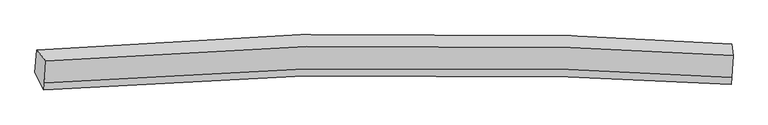
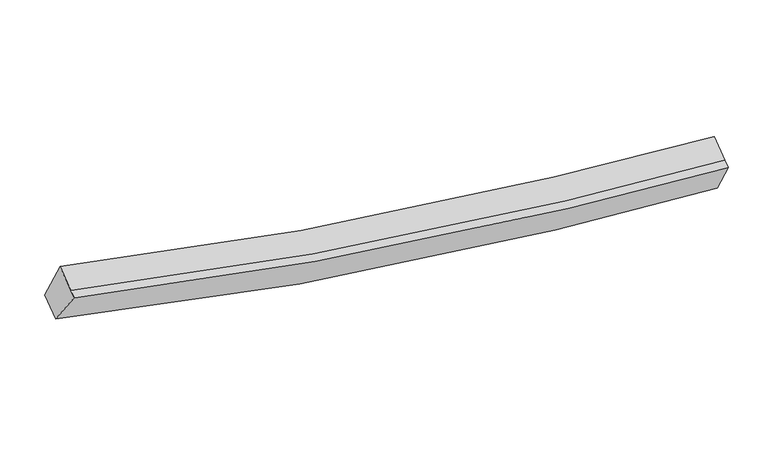
"""IFC4 building model written with IfcOpenShell, lengths in millimetres: proxy geometry."""

from ifc_helpers import new_model, si_unit, frame, origin, place, context, project, spatial, source, transform, mapped, element, save
from ifc_brep_helpers import plane_surface, spline_curve, spline_surface, advanced_brep


def generic_models_92f6337b(model_context):
    return source(origin(), model_context, "Body", "AdvancedBrep", [
        advanced_brep(
        [(-7464.2980582, -1824.8495779, 4168.241372), (-7281.4361653, -2036.7191972, 4837.6334959), (5946.8087748, -1934.4753215, 2914.4571497), (5922.842816, -1711.9059223, 2192.150454), (-7311.7422566, -2462.4618837, 4602.4087143), (5916.9767447, -2353.5583549, 2682.9118569), (-7321.381087, -2597.8690373, 4527.5956426), (5907.3379143, -2488.9655086, 2608.0987852), (-7494.9539182, -2255.5058467, 3930.3018137), (5893.0535127, -2130.3887252, 1960.9367913)],
        [
            (0, 1),
            (1, 2, spline_curve(3, [(-7281.4361653, -2036.7191972, 4837.6334959), (-3958.229037686, -1756.105560078, 3900.868650212), (-594.047006811, -1670.398026176, 3305.529800495), (3852.510402789, -1812.992834238, 2973.96268106), (4897.743351862, -1864.619076917, 2928.242748277), (5946.8087748, -1934.4753215, 2914.4571497)], [4, 2, 4], [0.0, 33.89862542820874, 44.26585527736549])),
            (2, 3),
            (3, 0, spline_curve(3, [(5922.842816, -1711.9059223, 2192.150454), (4865.674246298, -1637.443967778, 2192.639823189), (3811.33071641, -1582.486322305, 2229.14503307), (-678.428454852, -1431.108156342, 2538.794414468), (-4086.465216631, -1523.713686955, 3160.986177689), (-7464.2980582, -1824.8495779, 4168.241372)], [4, 2, 4], [0.0, 10.36722984915675, 44.26585527736549])),
            (1, 4),
            (4, 5, spline_curve(3, [(-7311.7422566, -2462.4618837, 4602.4087143), (-3988.814721231, -2185.775984495, 3663.473775648), (-624.605502392, -2099.686502782, 3068.345952876), (3822.388015228, -2236.15483741, 2740.163739101), (4867.751796063, -2285.943142269, 2695.459275246), (5916.9767447, -2353.5583549, 2682.9118569)], [4, 2, 4], [0.0, 33.706811367952, 44.01537864817382])),
            (5, 2),
            (4, 6),
            (6, 7, spline_curve(3, [(-7321.381087, -2597.8690373, 4527.5956426), (-3998.453551885, -2321.183137991, 3588.660704023), (-634.244332405, -2235.093656166, 2993.532881401), (3812.74918471, -2371.561991076, 2665.350667332), (4858.11296547, -2421.350296001, 2620.646203536), (5907.3379143, -2488.9655086, 2608.0987852)], [4, 2, 4], [0.0, 33.70680672676596, 44.015372587572045])),
            (7, 5),
            (6, 8),
            (8, 9, spline_curve(3, [(-7494.9539182, -2255.5058467, 3930.3018137), (-4116.611021757, -1947.204667992, 2927.005473469), (-708.285408775, -1850.541315947, 2307.055675662), (3781.562102727, -2000.678477373, 1998.091954601), (4835.905632404, -2055.636122435, 1961.586744908), (5893.0535127, -2130.3887252, 1960.9367913)], [4, 2, 4], [0.0, 33.89859856037237, 44.26582019252824])),
            (9, 7),
            (8, 0),
            (3, 9),
        ],
        [
            spline_surface(3, 3, [[(-7464.2980582, -1824.8495779, 4168.241372), (-4086.465216469, -1523.71368648, 3160.986177754), (-678.428454914, -1431.108155932, 2538.794414865), (3811.330716429, -1582.48632243, 2229.145032949), (4865.674246255, -1637.443967775, 2192.639823182), (5922.842816, -1711.9059223, 2192.150454)], [(-7403.344093901, -1895.472784339, 4391.372079952), (-4043.719823701, -1601.177644413, 3407.613668411), (-650.301305631, -1510.871445869, 2794.372876734), (3825.057278591, -1659.321826391, 2477.417582349), (4876.363948113, -1713.169004164, 2437.840798242), (5930.831468936, -1786.095722034, 2432.919352566)], [(-7342.390129599, -1966.095990761, 4614.502787948), (-4000.97443093, -1678.641602327, 3654.241159113), (-622.174156385, -1590.63473585, 3049.951338541), (3838.783840716, -1736.157330397, 2725.690131686), (4887.053649965, -1788.894040549, 2683.041773302), (5938.820121864, -1860.285521766, 2673.688251134)], [(-7281.4361653, -2036.7191972, 4837.6334959), (-3958.229038163, -1756.10556026, 3900.86864977), (-594.047007102, -1670.398025786, 3305.52980041), (3852.510402878, -1812.992834358, 2973.962681086), (4897.743351823, -1864.619076938, 2928.242748361), (5946.8087748, -1934.4753215, 2914.4571497)]], [4, 4], [4, 2, 4], [0.0, 2.6001170704802377], [0.0, 33.89862542820874, 44.26585527736549]),
            spline_surface(3, 3, [[(-7281.4361653, -2036.7191972, 4837.6334959), (-3958.229038163, -1756.10556026, 3900.86864977), (-594.047007102, -1670.398025786, 3305.52980041), (3852.510402878, -1812.992834358, 2973.962681086), (4897.743351823, -1864.619076938, 2928.242748361), (5946.8087748, -1934.4753215, 2914.4571497)], [(-7291.538195721, -2178.63342602, 4759.225235375), (-3968.424266009, -1899.329034857, 3821.737024965), (-604.233172109, -1813.494184809, 3226.468518042), (3842.469606962, -1954.046835363, 2896.029700363), (4887.746166526, -2005.060432069, 2850.648257287), (5936.864764751, -2074.169665973, 2837.27538543)], [(-7301.640226179, -2320.54765488, 4680.816974825), (-3978.619493891, -2042.552509493, 3742.605400135), (-614.419337103, -1956.590343843, 3147.407235714), (3832.428811058, -2095.100836379, 2818.09671968), (4877.748981276, -2145.50178718, 2773.053766221), (5926.920754749, -2213.864010427, 2760.09362117)], [(-7311.7422566, -2462.4618837, 4602.4087143), (-3988.814721737, -2185.77598409, 3663.47377533), (-624.60550211, -2099.686502865, 3068.345953346), (3822.388015142, -2236.154837385, 2740.163738957), (4867.751795978, -2285.943142311, 2695.459275146), (5916.9767447, -2353.5583549, 2682.9118569)]], [4, 4], [4, 2, 4], [0.0, 1.6070976671044748], [0.0, 33.706811367952, 44.01537864817382]),
            spline_surface(3, 3, [[(-7311.7422566, -2462.4618837, 4602.4087143), (-3988.814721737, -2185.77598409, 3663.47377533), (-624.60550211, -2099.686502865, 3068.345953346), (3822.388015142, -2236.154837385, 2740.163738957), (4867.751795978, -2285.943142311, 2695.459275146), (5916.9767447, -2353.5583549, 2682.9118569)], [(-7314.955200072, -2507.597601571, 4577.47102373), (-3992.027665209, -2230.911701961, 3638.53608476), (-627.818445582, -2144.822220736, 3043.408262776), (3819.175071671, -2281.290555256, 2715.226048387), (4864.538852506, -2331.078860182, 2670.521584576), (5913.763801228, -2398.694072771, 2657.97416633)], [(-7318.168143528, -2552.733319429, 4552.53333317), (-3995.240608666, -2276.047419819, 3613.5983942), (-631.031389039, -2189.957938594, 3018.470572216), (3815.962128214, -2326.426273114, 2690.288357827), (4861.325909049, -2376.21457814, 2645.583894016), (5910.550857772, -2443.829790729, 2633.03647577)], [(-7321.381087, -2597.8690373, 4527.5956426), (-3998.453552137, -2321.18313769, 3588.66070363), (-634.24433251, -2235.093656465, 2993.532881646), (3812.749184742, -2371.561990985, 2665.350667257), (4858.112965578, -2421.350296011, 2620.646203446), (5907.3379143, -2488.9655086, 2608.0987852)]], [4, 4], [4, 2, 4], [0.0, 0.508530183727046], [0.0, 33.70680672676596, 44.015372587572045]),
            spline_surface(3, 3, [[(-7321.381087, -2597.8690373, 4527.5956426), (-3998.453552137, -2321.18313769, 3588.66070363), (-634.24433251, -2235.093656465, 2993.532881646), (3812.749184742, -2371.561990985, 2665.350667257), (4858.112965578, -2421.350296011, 2620.646203446), (5907.3379143, -2488.9655086, 2608.0987852)], [(-7379.238697401, -2483.747973778, 4328.497699641), (-4037.839375524, -2196.523647976, 3368.10896015), (-658.924691176, -2106.909542998, 2764.70714625), (3802.353490703, -2247.934153084, 2442.931096383), (4850.710521224, -2299.445571557, 2400.959717264), (5902.576447117, -2369.43991416, 2392.37812057)], [(-7437.096307799, -2369.626910222, 4129.399756659), (-4077.225198907, -2071.864158226, 3147.557216647), (-683.605049827, -1978.725429572, 2535.881410877), (3791.957796679, -2124.306315226, 2220.511525531), (4843.30807682, -2177.540847024, 2181.273231072), (5897.814979883, -2249.91431964, 2176.65745593)], [(-7494.9539182, -2255.5058467, 3930.3018137), (-4116.611022294, -1947.204668512, 2927.005473167), (-708.285408493, -1850.541316105, 2307.055675481), (3781.56210264, -2000.678477325, 1998.091954656), (4835.905632466, -2055.63612257, 1961.58674489), (5893.0535127, -2130.3887252, 1960.9367913)]], [4, 4], [4, 2, 4], [0.0, 2.5442589921237015], [0.0, 33.89859856037237, 44.26582019252824]),
            spline_surface(3, 3, [[(-7494.9539182, -2255.5058467, 3930.3018137), (-4116.611022294, -1947.204668512, 2927.005473167), (-708.285408492, -1850.541316105, 2307.055675481), (3781.56210264, -2000.678477325, 1998.091954656), (4835.905632466, -2055.63612257, 1961.58674489), (5893.0535127, -2130.3887252, 1960.9367913)], [(-7484.735298205, -2111.953757091, 4009.614999802), (-4106.562420357, -1806.041007826, 3004.999041365), (-698.333090631, -1710.730262742, 2384.301921945), (3791.484973905, -1861.281092388, 2075.109647424), (4845.828503731, -1916.238737634, 2038.604437657), (5902.983280469, -1990.894457562, 2038.008012203)], [(-7474.516678195, -1968.401667509, 4088.928185898), (-4096.513818405, -1664.877347166, 3082.992609556), (-688.380772776, -1570.919209295, 2461.5481684), (3801.407845164, -1721.883707366, 2152.127340182), (4855.75137499, -1776.841352712, 2115.622130415), (5912.913048231, -1851.400189938, 2115.079233097)], [(-7464.2980582, -1824.8495779, 4168.241372), (-4086.465216469, -1523.71368648, 3160.986177754), (-678.428454914, -1431.108155932, 2538.794414865), (3811.330716429, -1582.48632243, 2229.145032949), (4865.674246255, -1637.443967775, 2192.639823182), (5922.842816, -1711.9059223, 2192.150454)]], [4, 4], [4, 2, 4], [0.0, 1.5795728525334947], [0.0, 34.11630916620183, 44.55011331793547]),
            plane_surface(frame((5917.5107544, -2066.4338694, 2418.9107951), z_axis=(0.9978778912225256, -0.04506734744920713, -0.0469962594594272), x_axis=(-0.0193032453377431, 0.48456322070334423, -0.8745432349867175))),
            plane_surface(frame((-7390.5173072, -2178.7359148, 4365.9430811), z_axis=(-0.9676610555688058, -0.06568198767388236, 0.24355278284321136), x_axis=(-0.062186002675173074, -0.8735945394377822, -0.4826649787748978))),
        ],
        [
            (0, [[1, 2, 3, 4]]),
            (1, [[5, 6, 7, -2]]),
            (2, [[8, 9, 10, -6]]),
            (3, [[11, 12, 13, -9]]),
            (4, [[14, -4, 15, -12]]),
            (5, [[-13, -15, -3, -7, -10]]),
            (6, [[-14, -11, -8, -5, -1]]),
        ],
    ),
    ])


if __name__ == "__main__":
    model = new_model("IFC4")
    model_context = context("Model", 3, world=origin())
    ifc_project = project(units=[si_unit("LENGTHUNIT", "METRE", prefix="MILLI")], contexts=[model_context])
    site = spatial("IfcSite", under=ifc_project)
    building = spatial("IfcBuilding", under=site)
    placement = place(None, origin())
    generic_models_shape = generic_models_92f6337b(model_context)
    element("IfcBuildingElementProxy", 1, Name="Generic Models", at=placement, inside=building, context=model_context, shape_type="MappedRepresentation", body=[
        mapped(generic_models_shape, transform((0.0, 0.0, 0.0), x_axis=(1.0, 0.0, 0.0), y_axis=(0.0, 1.0, 0.0), z_axis=(0.0, 0.0, 1.0))),
    ])
    save(model, "model.ifc")
